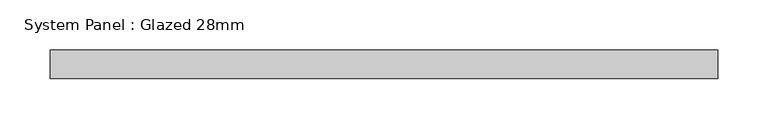
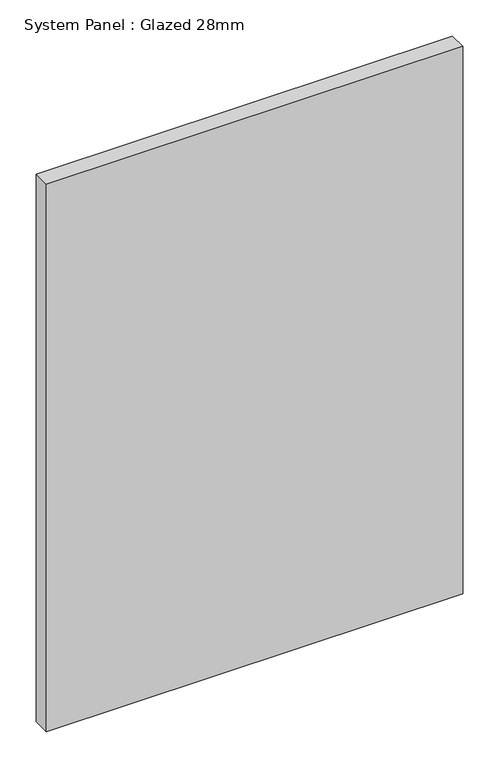
"""IFC4 building model written with IfcOpenShell, lengths in millimetres: plate geometry, System Panel : Glazed 28mm."""

from ifc_helpers import new_model, si_unit, origin, origin_with_axes, place, context, project, spatial, polyline, outline, extrude, source, transform, mapped, element, save


def system_panel_glazed_28mm_977409db(model_context):
    return source(origin(), model_context, "Body", "SweptSolid", [
        extrude(outline(polyline([(330.9959687, -14.0), (-330.9959687, -14.0), (-330.9959687, 14.0), (330.9959687, 14.0), (330.9959687, -14.0)])), origin_with_axes(), (0.0, 0.0, 1.0), 920.6624174),
    ])


if __name__ == "__main__":
    model = new_model("IFC4")
    model_context = context("Model", 3, world=origin())
    ifc_project = project(units=[si_unit("LENGTHUNIT", "METRE", prefix="MILLI")], contexts=[model_context])
    site = spatial("IfcSite", under=ifc_project)
    building = spatial("IfcBuilding", under=site)
    placement = place(None, origin())
    system_panel_glazed_28mm_shape = system_panel_glazed_28mm_977409db(model_context)
    element("IfcPlate", 1, ObjectType="System Panel : Glazed 28mm", at=placement, inside=building, context=model_context, shape_type="MappedRepresentation", body=[
        mapped(system_panel_glazed_28mm_shape, transform((0.0, 0.0, 0.0), x_axis=(1.0, 0.0, 0.0), y_axis=(0.0, 1.0, 0.0), z_axis=(0.0, 0.0, 1.0))),
    ])
    save(model, "model.ifc")
